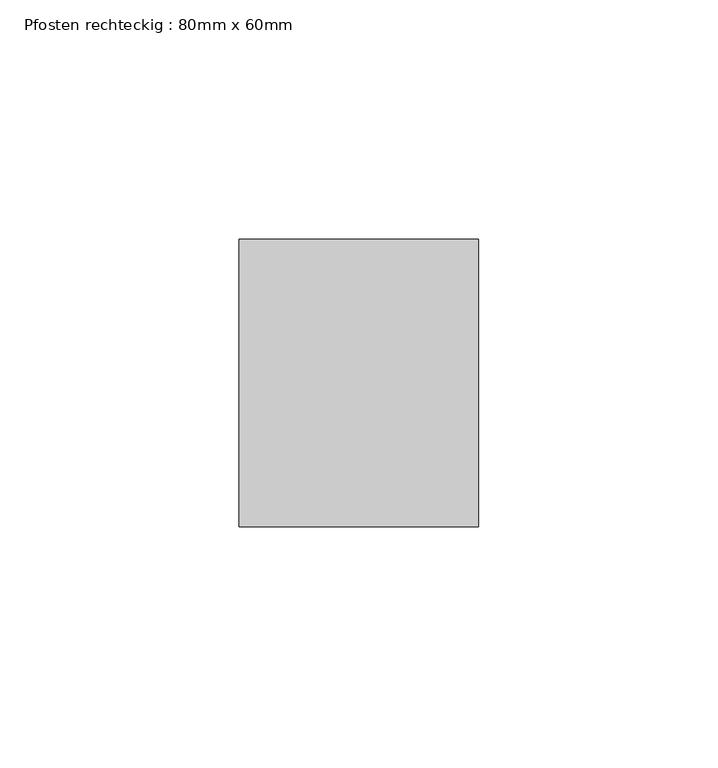
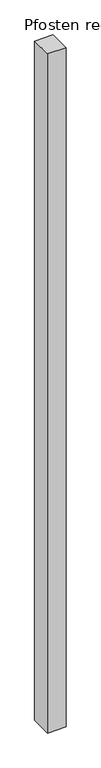
"""IFC4 building model written with IfcOpenShell, lengths in millimetres: member geometry, Pfosten rechteckig : 80mm x 60mm."""

from ifc_helpers import new_model, si_unit, frame, origin, place, context, project, spatial, polyline, outline, extrude, source, transform, mapped, element, save


def pfosten_rechteckig_80mm_x_60mm_9d2389f4(model_context):
    return source(origin(), model_context, "Body", "SweptSolid", [
        extrude(outline(polyline([(25.0, 30.0), (25.0, -30.0), (-25.0, -30.0), (-25.0, 30.0), (25.0, 30.0)])), frame((0.0, 0.0, -1933.3333333), z_axis=(0.0, 0.0, 1.0), x_axis=(1.0, 0.0, 0.0)), (0.0, 0.0, 1.0), 1933.3333333),
    ])


if __name__ == "__main__":
    model = new_model("IFC4")
    model_context = context("Model", 3, world=origin())
    ifc_project = project(units=[si_unit("LENGTHUNIT", "METRE", prefix="MILLI")], contexts=[model_context])
    site = spatial("IfcSite", under=ifc_project)
    building = spatial("IfcBuilding", under=site)
    placement = place(None, origin())
    pfosten_rechteckig_80mm_x_60mm_shape = pfosten_rechteckig_80mm_x_60mm_9d2389f4(model_context)
    element("IfcMember", 1, ObjectType="Pfosten rechteckig : 80mm x 60mm", at=placement, inside=building, context=model_context, shape_type="MappedRepresentation", body=[
        mapped(pfosten_rechteckig_80mm_x_60mm_shape, transform((0.0, 0.0, 0.0), x_axis=(1.0, 0.0, 0.0), y_axis=(0.0, 1.0, 0.0), z_axis=(0.0, 0.0, 1.0))),
    ])
    save(model, "model.ifc")
